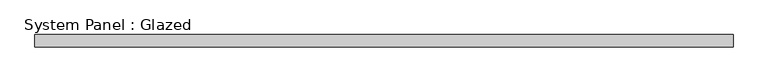
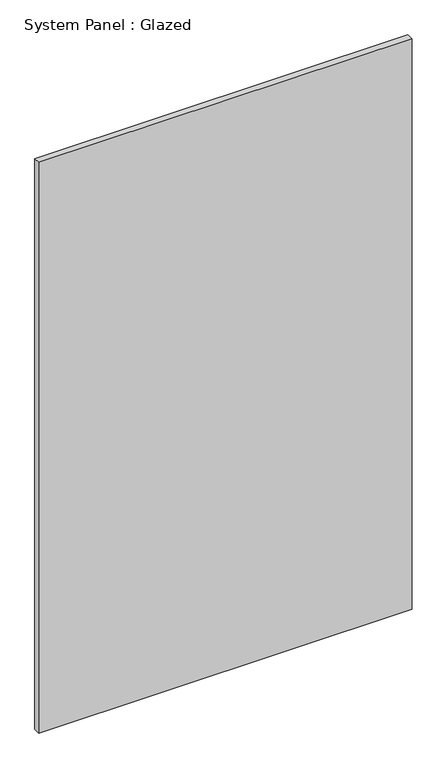
"""IFC4 building model written with IfcOpenShell, lengths in millimetres: plate geometry, System Panel : Glazed."""

from ifc_helpers import new_model, si_unit, origin, origin_with_axes, place, context, project, spatial, polyline, outline, extrude, source, transform, mapped, element, save


def system_panel_glazed_9893a62e(model_context):
    return source(origin(), model_context, "Body", "SweptSolid", [
        extrude(outline(polyline([(719.5001552, 24.5), (-719.5001552, 24.5), (-719.5001552, 49.5), (719.5001552, 49.5), (719.5001552, 24.5)])), origin_with_axes(), (0.0, 0.0, 1.0), 2325.0),
    ])


if __name__ == "__main__":
    model = new_model("IFC4")
    model_context = context("Model", 3, world=origin())
    ifc_project = project(units=[si_unit("LENGTHUNIT", "METRE", prefix="MILLI")], contexts=[model_context])
    site = spatial("IfcSite", under=ifc_project)
    building = spatial("IfcBuilding", under=site)
    placement = place(None, origin())
    system_panel_glazed_shape = system_panel_glazed_9893a62e(model_context)
    element("IfcPlate", 1, ObjectType="System Panel : Glazed", at=placement, inside=building, context=model_context, shape_type="MappedRepresentation", body=[
        mapped(system_panel_glazed_shape, transform((0.0, 0.0, 0.0), x_axis=(1.0, 0.0, 0.0), y_axis=(0.0, 1.0, 0.0), z_axis=(0.0, 0.0, 1.0))),
    ])
    save(model, "model.ifc")
